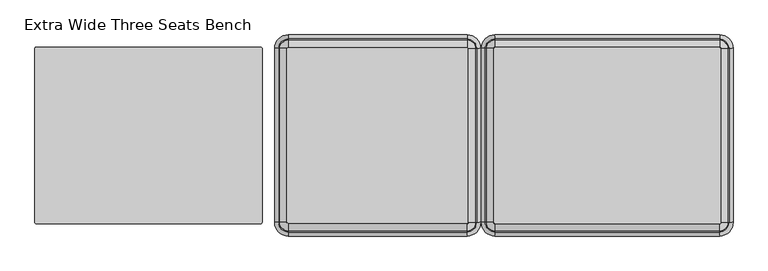
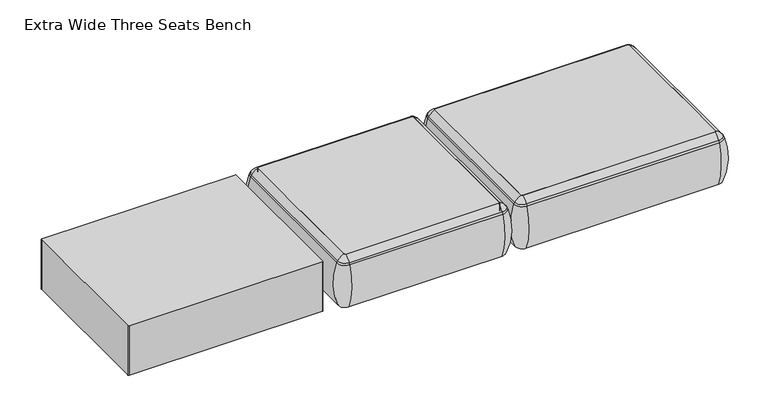
"""IFC4 building model written with IfcOpenShell, lengths in millimetres: furniture geometry, Extra Wide Three Seats Bench."""

from ifc_helpers import new_model, si_unit, point, frame, frame_2d, origin, place, context, project, spatial, polyline, circle_curve, ellipse_curve, trimmed, segment, composite_curve, outline, extrude, source, transform, mapped, element, save
from ifc_brep_helpers import plane_surface, cylinder_surface, revolved_surface, advanced_brep


def extra_wide_three_seats_bench_a4999bfd(model_context):
    return source(origin(), model_context, "Body", "SolidModel", [
        advanced_brep(
        [(-550.6150954, -668.4794123, 390.3914007), (-545.3352882, -673.7592195, 390.3914007), (-545.3352882, -673.7592195, 123.9999984), (-550.6150954, -668.4794123, 123.9999984), (-579.3031396, -668.4794123, 123.9999984), (-545.3352882, -702.4472637, 123.9999984), (-545.3352882, -710.1267287, 353.7769053), (-586.9826046, -668.4794123, 353.7769053), (-550.6150954, 89.8571486, 123.9999984), (-550.6150954, 89.8571486, 390.3914007), (-586.9826046, 89.8571486, 353.7769053), (-579.3031396, 89.8571486, 123.9999984), (-545.3352882, 95.1369558, 390.3914007), (-545.3352882, 95.1369558, 123.9999984), (-545.3352882, 123.825, 123.9999984), (-545.3352882, 131.504465, 353.7769053), (234.4447118, 95.1369558, 123.9999984), (234.4447118, 95.1369558, 390.3914007), (234.4447118, 131.504465, 353.7769053), (234.4447118, 123.825, 123.9999984), (239.7245191, 89.8571486, 390.3914007), (239.7245191, 89.8571486, 123.9999984), (268.4125633, 89.8571486, 123.9999984), (276.0920283, 89.8571486, 353.7769053), (239.7245191, -668.4794123, 123.9999984), (239.7245191, -668.4794123, 390.3914007), (276.0920283, -668.4794123, 353.7769053), (268.4125633, -668.4794123, 123.9999984), (234.4447118, -673.7592195, 390.3914007), (234.4447118, -673.7592195, 123.9999984), (234.4447118, -702.4472637, 123.9999984), (234.4447118, -710.1267287, 353.7769053), (-581.7641447, -668.4794123, 363.6402875), (-545.3352882, -704.9082688, 363.6402875), (-581.7641447, 89.8571486, 363.6402875), (-545.3352882, 126.2860051, 363.6402875), (234.4447118, 126.2860051, 363.6402875), (270.8735684, 89.8571486, 363.6402875), (270.8735684, -668.4794123, 363.6402875), (234.4447118, -704.9082688, 363.6402875)],
        [
            (0, 1, circle_curve(frame((-545.3352882, -668.4794123, 390.3914007), z_axis=(0.0, 0.0, 1.0), x_axis=(0.0, -1.0, 0.0)), 5.2798073)),
            (1, 2),
            (2, 3, circle_curve(frame((-545.3352882, -668.4794123, 123.9999984), z_axis=(0.0, 0.0, -1.0), x_axis=(0.0, -1.0, 0.0)), 5.2798073)),
            (3, 0),
            (4, 5, circle_curve(frame((-545.3352882, -668.4794123, 123.9999984), z_axis=(0.0, 0.0, 1.0), x_axis=(0.0, -1.0, 0.0)), 33.9678514)),
            (5, 6, circle_curve(frame((-545.3352882, -406.0729797, 248.9220234), z_axis=(-1.0, 0.0, 0.0), x_axis=(0.0, -1.0, 0.0)), 321.625914)),
            (6, 7, circle_curve(frame((-545.3352882, -668.4794123, 353.7769053), z_axis=(0.0, 0.0, -1.0), x_axis=(0.0, -1.0, 0.0)), 41.6473165)),
            (7, 4, circle_curve(frame((-282.9288556, -668.4794123, 248.9220234), z_axis=(0.0, -1.0, 0.0), x_axis=(-1.0, 0.0, 0.0)), 321.625914)),
            (3, 8),
            (8, 9),
            (9, 0),
            (7, 10),
            (10, 11, circle_curve(frame((-282.9288556, 89.8571486, 248.9220234), z_axis=(0.0, -1.0, 0.0), x_axis=(-1.0, 0.0, 0.0)), 321.625914)),
            (11, 4),
            (12, 9, circle_curve(frame((-545.3352882, 89.8571486, 390.3914007), z_axis=(0.0, 0.0, 1.0), x_axis=(-1.0, 0.0, 0.0)), 5.2798073)),
            (8, 13, circle_curve(frame((-545.3352882, 89.8571486, 123.9999984), z_axis=(0.0, 0.0, -1.0), x_axis=(-1.0, 0.0, 0.0)), 5.2798073)),
            (13, 12),
            (14, 11, circle_curve(frame((-545.3352882, 89.8571486, 123.9999984), z_axis=(0.0, 0.0, 1.0), x_axis=(-1.0, 0.0, 0.0)), 33.9678514)),
            (10, 15, circle_curve(frame((-545.3352882, 89.8571486, 353.7769053), z_axis=(0.0, 0.0, -1.0), x_axis=(-1.0, 0.0, 0.0)), 41.6473165)),
            (15, 14, circle_curve(frame((-545.3352882, -172.549284, 248.9220234), z_axis=(-1.0, 0.0, 0.0), x_axis=(0.0, 1.0, 0.0)), 321.625914)),
            (13, 16),
            (16, 17),
            (17, 12),
            (15, 18),
            (18, 19, circle_curve(frame((234.4447118, -172.549284, 248.9220234), z_axis=(-1.0, 0.0, 0.0), x_axis=(0.0, 1.0, 0.0)), 321.625914)),
            (19, 14),
            (20, 17, circle_curve(frame((234.4447118, 89.8571486, 390.3914007), z_axis=(0.0, 0.0, 1.0), x_axis=(0.0, 1.0, 0.0)), 5.2798073)),
            (16, 21, circle_curve(frame((234.4447118, 89.8571486, 123.9999984), z_axis=(0.0, 0.0, -1.0), x_axis=(0.0, 1.0, 0.0)), 5.2798073)),
            (21, 20),
            (22, 19, circle_curve(frame((234.4447118, 89.8571486, 123.9999984), z_axis=(0.0, 0.0, 1.0), x_axis=(0.0, 1.0, 0.0)), 33.9678514)),
            (18, 23, circle_curve(frame((234.4447118, 89.8571486, 353.7769053), z_axis=(0.0, 0.0, -1.0), x_axis=(0.0, 1.0, 0.0)), 41.6473165)),
            (23, 22, circle_curve(frame((-27.9617207, 89.8571486, 248.9220234), z_axis=(0.0, 1.0, 0.0), x_axis=(1.0, 0.0, 0.0)), 321.625914)),
            (21, 24),
            (24, 25),
            (25, 20),
            (23, 26),
            (26, 27, circle_curve(frame((-27.9617207, -668.4794123, 248.9220234), z_axis=(0.0, 1.0, 0.0), x_axis=(1.0, 0.0, 0.0)), 321.625914)),
            (27, 22),
            (28, 25, circle_curve(frame((234.4447118, -668.4794123, 390.3914007), z_axis=(0.0, 0.0, 1.0), x_axis=(1.0, 0.0, 0.0)), 5.2798073)),
            (24, 29, circle_curve(frame((234.4447118, -668.4794123, 123.9999984), z_axis=(0.0, 0.0, -1.0), x_axis=(1.0, 0.0, 0.0)), 5.2798073)),
            (29, 28),
            (30, 27, circle_curve(frame((234.4447118, -668.4794123, 123.9999984), z_axis=(0.0, 0.0, 1.0), x_axis=(1.0, 0.0, 0.0)), 33.9678514)),
            (26, 31, circle_curve(frame((234.4447118, -668.4794123, 353.7769053), z_axis=(0.0, 0.0, -1.0), x_axis=(1.0, 0.0, 0.0)), 41.6473165)),
            (31, 30, circle_curve(frame((234.4447118, -406.0729797, 248.9220234), z_axis=(1.0, 0.0, 0.0), x_axis=(0.0, -1.0, 0.0)), 321.625914)),
            (30, 5),
            (2, 29),
            (1, 28),
            (31, 6),
            (32, 33, circle_curve(frame((-545.3352882, -668.4794123, 363.6402875), z_axis=(0.0, 0.0, 1.0), x_axis=(0.0, -1.0, 0.0)), 36.4288566)),
            (33, 1, circle_curve(frame((-545.3352882, -629.5266, 307.3762868), z_axis=(-1.0, 0.0, 0.0), x_axis=(0.0, -1.0, 0.0)), 94.0639876)),
            (0, 32, circle_curve(frame((-506.3824759, -668.4794123, 307.3762868), z_axis=(0.0, -1.0, 0.0), x_axis=(-1.0, 0.0, 0.0)), 94.0639876)),
            (6, 33, circle_curve(frame((-545.3352882, -675.8620096, 341.9604975), z_axis=(-1.0, 0.0, 0.0), x_axis=(0.0, -1.0, 0.0)), 36.2449785)),
            (32, 7, circle_curve(frame((-552.7178855, -668.4794123, 341.9604975), z_axis=(0.0, -1.0, 0.0), x_axis=(-1.0, 0.0, 0.0)), 36.2449785)),
            (9, 34, circle_curve(frame((-506.3824759, 89.8571486, 307.3762868), z_axis=(0.0, -1.0, 0.0), x_axis=(-1.0, 0.0, 0.0)), 94.0639876)),
            (34, 32),
            (34, 10, circle_curve(frame((-552.7178855, 89.8571486, 341.9604975), z_axis=(0.0, -1.0, 0.0), x_axis=(-1.0, 0.0, 0.0)), 36.2449785)),
            (35, 34, circle_curve(frame((-545.3352882, 89.8571486, 363.6402875), z_axis=(0.0, 0.0, 1.0), x_axis=(-1.0, 0.0, 0.0)), 36.4288566)),
            (12, 35, circle_curve(frame((-545.3352882, 50.9043363, 307.3762868), z_axis=(-1.0, 0.0, 0.0), x_axis=(0.0, 1.0, 0.0)), 94.0639876)),
            (35, 15, circle_curve(frame((-545.3352882, 97.2397459, 341.9604975), z_axis=(-1.0, 0.0, 0.0), x_axis=(0.0, 1.0, 0.0)), 36.2449785)),
            (17, 36, circle_curve(frame((234.4447118, 50.9043363, 307.3762868), z_axis=(-1.0, 0.0, 0.0), x_axis=(0.0, 1.0, 0.0)), 94.0639876)),
            (36, 35),
            (36, 18, circle_curve(frame((234.4447118, 97.2397459, 341.9604975), z_axis=(-1.0, 0.0, 0.0), x_axis=(0.0, 1.0, 0.0)), 36.2449785)),
            (37, 36, circle_curve(frame((234.4447118, 89.8571486, 363.6402875), z_axis=(0.0, 0.0, 1.0), x_axis=(0.0, 1.0, 0.0)), 36.4288566)),
            (20, 37, circle_curve(frame((195.4918996, 89.8571486, 307.3762868), z_axis=(0.0, 1.0, 0.0), x_axis=(1.0, 0.0, 0.0)), 94.0639876)),
            (37, 23, circle_curve(frame((241.8273092, 89.8571486, 341.9604975), z_axis=(0.0, 1.0, 0.0), x_axis=(1.0, 0.0, 0.0)), 36.2449785)),
            (25, 38, circle_curve(frame((195.4918996, -668.4794123, 307.3762868), z_axis=(0.0, 1.0, 0.0), x_axis=(1.0, 0.0, 0.0)), 94.0639876)),
            (38, 37),
            (38, 26, circle_curve(frame((241.8273092, -668.4794123, 341.9604975), z_axis=(0.0, 1.0, 0.0), x_axis=(1.0, 0.0, 0.0)), 36.2449785)),
            (39, 38, circle_curve(frame((234.4447118, -668.4794123, 363.6402875), z_axis=(0.0, 0.0, 1.0), x_axis=(1.0, 0.0, 0.0)), 36.4288566)),
            (28, 39, circle_curve(frame((234.4447118, -629.5266, 307.3762868), z_axis=(1.0, 0.0, 0.0), x_axis=(0.0, -1.0, 0.0)), 94.0639876)),
            (39, 31, circle_curve(frame((234.4447118, -675.8620096, 341.9604975), z_axis=(1.0, 0.0, 0.0), x_axis=(0.0, -1.0, 0.0)), 36.2449785)),
            (33, 39),
        ],
        [
            revolved_surface(polyline([(-545.3352882, -673.7592196, 123.9999984), (-545.3352882, -673.7592196, 390.3914007)]), (-545.3352882, -668.4794123, 0.0), (0.0, 0.0, -1.0)),
            revolved_surface(trimmed(ellipse_curve(frame((-545.3352882, -406.0729797, 248.9220234), z_axis=(1.0, 0.0, 0.0), x_axis=(0.0, -1.0, 0.0)), 321.625914, 321.625914), [point((-545.3352882, -710.1267287, 353.7769053))], [point((-545.3352882, -702.4472637, 123.9999984))], True, "CARTESIAN"), (-545.3352882, -668.4794123, 0.0), (0.0, 0.0, -1.0)),
            plane_surface(frame((-550.6150954, -668.4794123, 123.9999984), z_axis=(1.0, 0.0, 0.0), x_axis=(0.0, 1.0, 0.0))),
            cylinder_surface(frame((-282.9288556, -668.4794123, 248.9220234), z_axis=(0.0, -1.0, 0.0), x_axis=(-1.0, 0.0, 0.0)), 321.625914),
            revolved_surface(polyline([(-550.6150955, 89.8571486, 123.9999984), (-550.6150955, 89.8571486, 390.3914007)]), (-545.3352882, 89.8571486, 0.0), (0.0, 0.0, -1.0)),
            revolved_surface(trimmed(ellipse_curve(frame((-282.9288556, 89.8571486, 248.9220234), z_axis=(0.0, -1.0, 0.0), x_axis=(-1.0, 0.0, 0.0)), 321.625914, 321.625914), [point((-586.9826046, 89.8571486, 353.7769053))], [point((-579.3031396, 89.8571486, 123.9999984))], True, "CARTESIAN"), (-545.3352882, 89.8571486, 0.0), (0.0, 0.0, -1.0)),
            plane_surface(frame((-545.3352882, 95.1369558, 123.9999984), z_axis=(0.0, -1.0, 0.0), x_axis=(1.0, 0.0, 0.0))),
            cylinder_surface(frame((-545.3352882, -172.549284, 248.9220234), z_axis=(-1.0, 0.0, 0.0), x_axis=(0.0, 1.0, 0.0)), 321.625914),
            revolved_surface(polyline([(234.4447118, 95.1369559, 123.9999984), (234.4447118, 95.1369559, 390.3914007)]), (234.4447118, 89.8571486, 0.0), (0.0, 0.0, -1.0)),
            revolved_surface(trimmed(ellipse_curve(frame((234.4447118, -172.549284, 248.9220234), z_axis=(-1.0, 0.0, 0.0), x_axis=(0.0, 1.0, 0.0)), 321.625914, 321.625914), [point((234.4447118, 131.504465, 353.7769053))], [point((234.4447118, 123.825, 123.9999984))], True, "CARTESIAN"), (234.4447118, 89.8571486, 0.0), (0.0, 0.0, -1.0)),
            plane_surface(frame((239.7245191, 89.8571486, 123.9999984), z_axis=(-1.0, 0.0, 0.0), x_axis=(0.0, -1.0, 0.0))),
            cylinder_surface(frame((-27.9617207, 89.8571486, 248.9220234), z_axis=(0.0, 1.0, 0.0), x_axis=(1.0, 0.0, 0.0)), 321.625914),
            revolved_surface(polyline([(239.72451909999998, -668.4794123, 123.9999984), (239.72451909999998, -668.4794123, 390.3914007)]), (234.4447118, -668.4794123, 0.0), (0.0, 0.0, -1.0)),
            revolved_surface(trimmed(ellipse_curve(frame((-27.9617207, -668.4794123, 248.9220234), z_axis=(0.0, 1.0, 0.0), x_axis=(1.0, 0.0, 0.0)), 321.625914, 321.625914), [point((276.0920283, -668.4794123, 353.7769053))], [point((268.4125633, -668.4794123, 123.9999984))], True, "CARTESIAN"), (234.4447118, -668.4794123, 0.0), (0.0, 0.0, -1.0)),
            plane_surface(frame((234.4447118, -702.4472637, 123.9999984), z_axis=(0.0, 0.0, -1.0), x_axis=(-1.0, 0.0, 0.0))),
            plane_surface(frame((234.4447118, -673.7592195, 123.9999984), z_axis=(0.0, 1.0, 0.0), x_axis=(-1.0, 0.0, 0.0))),
            cylinder_surface(frame((234.4447118, -406.0729797, 248.9220234), z_axis=(1.0, 0.0, 0.0), x_axis=(0.0, -1.0, 0.0)), 321.625914),
            revolved_surface(trimmed(ellipse_curve(frame((-545.3352882, -629.5266, 307.3762868), z_axis=(1.0, 0.0, 0.0), x_axis=(0.0, -1.0, 0.0)), 94.0639876, 94.0639876), [point((-545.3352882, -673.7592195, 390.3914007))], [point((-545.3352882, -704.9082688, 363.6402875))], True, "CARTESIAN"), (-545.3352882, -668.4794123, 0.0), (0.0, 0.0, -1.0)),
            revolved_surface(trimmed(ellipse_curve(frame((-545.3352882, -675.8620096, 341.9604975), z_axis=(1.0, 0.0, 0.0), x_axis=(0.0, -1.0, 0.0)), 36.2449785, 36.2449785), [point((-545.3352882, -704.9082688, 363.6402875))], [point((-545.3352882, -710.1267287, 353.7769053))], True, "CARTESIAN"), (-545.3352882, -668.4794123, 0.0), (0.0, 0.0, -1.0)),
            cylinder_surface(frame((-506.3824759, -668.4794123, 307.3762868), z_axis=(0.0, -1.0, 0.0), x_axis=(-1.0, 0.0, 0.0)), 94.0639876),
            cylinder_surface(frame((-552.7178855, -668.4794123, 341.9604975), z_axis=(0.0, -1.0, 0.0), x_axis=(-1.0, 0.0, 0.0)), 36.2449785),
            revolved_surface(trimmed(ellipse_curve(frame((-506.3824759, 89.8571486, 307.3762868), z_axis=(0.0, -1.0, 0.0), x_axis=(-1.0, 0.0, 0.0)), 94.0639876, 94.0639876), [point((-550.6150954, 89.8571486, 390.3914007))], [point((-581.7641447, 89.8571486, 363.6402875))], True, "CARTESIAN"), (-545.3352882, 89.8571486, 0.0), (0.0, 0.0, -1.0)),
            revolved_surface(trimmed(ellipse_curve(frame((-552.7178855, 89.8571486, 341.9604975), z_axis=(0.0, -1.0, 0.0), x_axis=(-1.0, 0.0, 0.0)), 36.2449785, 36.2449785), [point((-581.7641447, 89.8571486, 363.6402875))], [point((-586.9826046, 89.8571486, 353.7769053))], True, "CARTESIAN"), (-545.3352882, 89.8571486, 0.0), (0.0, 0.0, -1.0)),
            cylinder_surface(frame((-545.3352882, 50.9043363, 307.3762868), z_axis=(-1.0, 0.0, 0.0), x_axis=(0.0, 1.0, 0.0)), 94.0639876),
            cylinder_surface(frame((-545.3352882, 97.2397459, 341.9604975), z_axis=(-1.0, 0.0, 0.0), x_axis=(0.0, 1.0, 0.0)), 36.2449785),
            revolved_surface(trimmed(ellipse_curve(frame((234.4447118, 50.9043363, 307.3762868), z_axis=(-1.0, 0.0, 0.0), x_axis=(0.0, 1.0, 0.0)), 94.0639876, 94.0639876), [point((234.4447118, 95.1369558, 390.3914007))], [point((234.4447118, 126.2860051, 363.6402875))], True, "CARTESIAN"), (234.4447118, 89.8571486, 0.0), (0.0, 0.0, -1.0)),
            revolved_surface(trimmed(ellipse_curve(frame((234.4447118, 97.2397459, 341.9604975), z_axis=(-1.0, 0.0, 0.0), x_axis=(0.0, 1.0, 0.0)), 36.2449785, 36.2449785), [point((234.4447118, 126.2860051, 363.6402875))], [point((234.4447118, 131.504465, 353.7769053))], True, "CARTESIAN"), (234.4447118, 89.8571486, 0.0), (0.0, 0.0, -1.0)),
            cylinder_surface(frame((195.4918996, 89.8571486, 307.3762868), z_axis=(0.0, 1.0, 0.0), x_axis=(1.0, 0.0, 0.0)), 94.0639876),
            cylinder_surface(frame((241.8273092, 89.8571486, 341.9604975), z_axis=(0.0, 1.0, 0.0), x_axis=(1.0, 0.0, 0.0)), 36.2449785),
            revolved_surface(trimmed(ellipse_curve(frame((195.4918996, -668.4794123, 307.3762868), z_axis=(0.0, 1.0, 0.0), x_axis=(1.0, 0.0, 0.0)), 94.0639876, 94.0639876), [point((239.7245191, -668.4794123, 390.3914007))], [point((270.8735684, -668.4794123, 363.6402875))], True, "CARTESIAN"), (234.4447118, -668.4794123, 0.0), (0.0, 0.0, -1.0)),
            revolved_surface(trimmed(ellipse_curve(frame((241.8273092, -668.4794123, 341.9604975), z_axis=(0.0, 1.0, 0.0), x_axis=(1.0, 0.0, 0.0)), 36.2449785, 36.2449785), [point((270.8735684, -668.4794123, 363.6402875))], [point((276.0920283, -668.4794123, 353.7769053))], True, "CARTESIAN"), (234.4447118, -668.4794123, 0.0), (0.0, 0.0, -1.0)),
            cylinder_surface(frame((234.4447118, -629.5266, 307.3762868), z_axis=(1.0, 0.0, 0.0), x_axis=(0.0, -1.0, 0.0)), 94.0639876),
            cylinder_surface(frame((234.4447118, -675.8620096, 341.9604975), z_axis=(1.0, 0.0, 0.0), x_axis=(0.0, -1.0, 0.0)), 36.2449785),
        ],
        [
            (0, [[1, 2, 3, 4]]),
            (1, [[5, 6, 7, 8]]),
            (2, [[-4, 9, 10, 11]]),
            (3, [[-8, 12, 13, 14]]),
            (4, [[15, -10, 16, 17]]),
            (5, [[18, -13, 19, 20]]),
            (6, [[-17, 21, 22, 23]]),
            (7, [[-20, 24, 25, 26]]),
            (8, [[27, -22, 28, 29]]),
            (9, [[30, -25, 31, 32]]),
            (10, [[-29, 33, 34, 35]]),
            (11, [[-32, 36, 37, 38]]),
            (12, [[39, -34, 40, 41]]),
            (13, [[42, -37, 43, 44]]),
            (14, [[-38, -42, 45, -5, -14, -18, -26, -30], [46, -40, -33, -28, -21, -16, -9, -3]]),
            (15, [[-41, -46, -2, 47]]),
            (16, [[-44, 48, -6, -45]]),
            (17, [[49, 50, -1, 51]]),
            (18, [[-7, 52, -49, 53]]),
            (19, [[-51, -11, 54, 55]]),
            (20, [[-53, -55, 56, -12]]),
            (21, [[57, -54, -15, 58]]),
            (22, [[-19, -56, -57, 59]]),
            (23, [[-58, -23, 60, 61]]),
            (24, [[-59, -61, 62, -24]]),
            (25, [[63, -60, -27, 64]]),
            (26, [[-31, -62, -63, 65]]),
            (27, [[-64, -35, 66, 67]]),
            (28, [[-65, -67, 68, -36]]),
            (29, [[69, -66, -39, 70]]),
            (30, [[-43, -68, -69, 71]]),
            (31, [[-70, -47, -50, 72]]),
            (32, [[-71, -72, -52, -48]]),
        ],
    ),
        extrude(outline(composite_curve([segment(trimmed(circle_curve(frame_2d((234.4447118, -668.4794123)), 5.2798073), [point((239.7245191, -668.4794123))], [point((234.4447118, -673.7592195))], False, "CARTESIAN"), True, "CONTINUOUS"), segment(polyline([(234.4447118, -673.7592195), (-545.3352882, -673.7592195)]), True, "CONTINUOUS"), segment(trimmed(circle_curve(frame_2d((-545.3352882, -668.4794123)), 5.2798073), [point((-545.3352882, -673.7592195))], [point((-550.6150954, -668.4794123))], False, "CARTESIAN"), True, "CONTINUOUS"), segment(polyline([(-550.6150954, -668.4794123), (-550.6150954, 89.8571486)]), True, "CONTINUOUS"), segment(trimmed(circle_curve(frame_2d((-545.3352882, 89.8571486)), 5.2798073), [point((-550.6150954, 89.8571486))], [point((-545.3352882, 95.1369558))], False, "CARTESIAN"), True, "CONTINUOUS"), segment(polyline([(-545.3352882, 95.1369558), (234.4447118, 95.1369558)]), True, "CONTINUOUS"), segment(trimmed(circle_curve(frame_2d((234.4447118, 89.8571486)), 5.2798073), [point((234.4447118, 95.1369558))], [point((239.7245191, 89.8571486))], False, "CARTESIAN"), True, "CONTINUOUS"), segment(polyline([(239.7245191, 89.8571486), (239.7245191, -668.4794123)]), True, "CONTINUOUS")], self_intersect=False)), frame((0.0, 0.0, 123.9999984), z_axis=(0.0, 0.0, 1.0), x_axis=(1.0, 0.0, 0.0)), (0.0, 0.0, 1.0), 266.3914023),
        extrude(outline(composite_curve([segment(trimmed(circle_curve(frame_2d((1334.6615868, -668.4794123)), 5.2798073), [point((1339.9413941, -668.4794123))], [point((1334.6615868, -673.7592195))], False, "CARTESIAN"), True, "CONTINUOUS"), segment(polyline([(1334.6615868, -673.7592195), (355.4915868, -673.7592195)]), True, "CONTINUOUS"), segment(trimmed(circle_curve(frame_2d((355.4915868, -668.4794123)), 5.2798073), [point((355.4915868, -673.7592195))], [point((350.2117796, -668.4794123))], False, "CARTESIAN"), True, "CONTINUOUS"), segment(polyline([(350.2117796, -668.4794123), (350.2117796, 89.8571486)]), True, "CONTINUOUS"), segment(trimmed(circle_curve(frame_2d((355.4915868, 89.8571486)), 5.2798073), [point((350.2117796, 89.8571486))], [point((355.4915868, 95.1369558))], False, "CARTESIAN"), True, "CONTINUOUS"), segment(polyline([(355.4915868, 95.1369558), (1334.6615868, 95.1369558)]), True, "CONTINUOUS"), segment(trimmed(circle_curve(frame_2d((1334.6615868, 89.8571486)), 5.2798073), [point((1334.6615868, 95.1369558))], [point((1339.9413941, 89.8571486))], False, "CARTESIAN"), True, "CONTINUOUS"), segment(polyline([(1339.9413941, 89.8571486), (1339.9413941, -668.4794123)]), True, "CONTINUOUS")], self_intersect=False)), frame((0.0, 0.0, 123.9999984), z_axis=(0.0, 0.0, 1.0), x_axis=(1.0, 0.0, 0.0)), (0.0, 0.0, 1.0), 266.3914023),
        advanced_brep(
        [(350.2117796, -668.4794123, 390.3914007), (355.4915868, -673.7592195, 390.3914007), (355.4915868, -673.7592195, 123.9999984), (350.2117796, -668.4794123, 123.9999984), (321.5237354, -668.4794123, 123.9999984), (355.4915868, -702.4472637, 123.9999984), (355.4915868, -710.1267287, 353.7769053), (313.8442704, -668.4794123, 353.7769053), (350.2117796, 89.8571486, 123.9999984), (350.2117796, 89.8571486, 390.3914007), (313.8442704, 89.8571486, 353.7769053), (321.5237354, 89.8571486, 123.9999984), (355.4915868, 95.1369558, 390.3914007), (355.4915868, 95.1369558, 123.9999984), (355.4915868, 123.825, 123.9999984), (355.4915868, 131.504465, 353.7769053), (1334.6615868, 95.1369558, 123.9999984), (1334.6615868, 95.1369558, 390.3914007), (1334.6615868, 131.504465, 353.7769053), (1334.6615868, 123.825, 123.9999984), (1339.9413941, 89.8571486, 390.3914007), (1339.9413941, 89.8571486, 123.9999984), (1368.6294383, 89.8571486, 123.9999984), (1376.3089033, 89.8571486, 353.7769053), (1339.9413941, -668.4794123, 123.9999984), (1339.9413941, -668.4794123, 390.3914007), (1376.3089033, -668.4794123, 353.7769053), (1368.6294383, -668.4794123, 123.9999984), (1334.6615868, -673.7592195, 390.3914007), (1334.6615868, -673.7592195, 123.9999984), (1334.6615868, -702.4472637, 123.9999984), (1334.6615868, -710.1267287, 353.7769053), (319.0627303, -668.4794123, 363.6402875), (355.4915868, -704.9082688, 363.6402875), (319.0627303, 89.8571486, 363.6402875), (355.4915868, 126.2860051, 363.6402875), (1334.6615868, 126.2860051, 363.6402875), (1371.0904434, 89.8571486, 363.6402875), (1371.0904434, -668.4794123, 363.6402875), (1334.6615868, -704.9082688, 363.6402875)],
        [
            (0, 1, circle_curve(frame((355.4915868, -668.4794123, 390.3914007), z_axis=(0.0, 0.0, 1.0), x_axis=(0.0, -1.0, 0.0)), 5.2798073)),
            (1, 2),
            (2, 3, circle_curve(frame((355.4915868, -668.4794123, 123.9999984), z_axis=(0.0, 0.0, -1.0), x_axis=(0.0, -1.0, 0.0)), 5.2798073)),
            (3, 0),
            (4, 5, circle_curve(frame((355.4915868, -668.4794123, 123.9999984), z_axis=(0.0, 0.0, 1.0), x_axis=(0.0, -1.0, 0.0)), 33.9678514)),
            (5, 6, circle_curve(frame((355.4915868, -406.0729797, 248.9220234), z_axis=(-1.0, 0.0, 0.0), x_axis=(0.0, -1.0, 0.0)), 321.625914)),
            (6, 7, circle_curve(frame((355.4915868, -668.4794123, 353.7769053), z_axis=(0.0, 0.0, -1.0), x_axis=(0.0, -1.0, 0.0)), 41.6473165)),
            (7, 4, circle_curve(frame((617.8980194, -668.4794123, 248.9220234), z_axis=(0.0, -1.0, 0.0), x_axis=(-1.0, 0.0, 0.0)), 321.625914)),
            (3, 8),
            (8, 9),
            (9, 0),
            (7, 10),
            (10, 11, circle_curve(frame((617.8980194, 89.8571486, 248.9220234), z_axis=(0.0, -1.0, 0.0), x_axis=(-1.0, 0.0, 0.0)), 321.625914)),
            (11, 4),
            (12, 9, circle_curve(frame((355.4915868, 89.8571486, 390.3914007), z_axis=(0.0, 0.0, 1.0), x_axis=(-1.0, 0.0, 0.0)), 5.2798073)),
            (8, 13, circle_curve(frame((355.4915868, 89.8571486, 123.9999984), z_axis=(0.0, 0.0, -1.0), x_axis=(-1.0, 0.0, 0.0)), 5.2798073)),
            (13, 12),
            (14, 11, circle_curve(frame((355.4915868, 89.8571486, 123.9999984), z_axis=(0.0, 0.0, 1.0), x_axis=(-1.0, 0.0, 0.0)), 33.9678514)),
            (10, 15, circle_curve(frame((355.4915868, 89.8571486, 353.7769053), z_axis=(0.0, 0.0, -1.0), x_axis=(-1.0, 0.0, 0.0)), 41.6473165)),
            (15, 14, circle_curve(frame((355.4915868, -172.549284, 248.9220234), z_axis=(-1.0, 0.0, 0.0), x_axis=(0.0, 1.0, 0.0)), 321.625914)),
            (13, 16),
            (16, 17),
            (17, 12),
            (15, 18),
            (18, 19, circle_curve(frame((1334.6615868, -172.549284, 248.9220234), z_axis=(-1.0, 0.0, 0.0), x_axis=(0.0, 1.0, 0.0)), 321.625914)),
            (19, 14),
            (20, 17, circle_curve(frame((1334.6615868, 89.8571486, 390.3914007), z_axis=(0.0, 0.0, 1.0), x_axis=(0.0, 1.0, 0.0)), 5.2798073)),
            (16, 21, circle_curve(frame((1334.6615868, 89.8571486, 123.9999984), z_axis=(0.0, 0.0, -1.0), x_axis=(0.0, 1.0, 0.0)), 5.2798073)),
            (21, 20),
            (22, 19, circle_curve(frame((1334.6615868, 89.8571486, 123.9999984), z_axis=(0.0, 0.0, 1.0), x_axis=(0.0, 1.0, 0.0)), 33.9678514)),
            (18, 23, circle_curve(frame((1334.6615868, 89.8571486, 353.7769053), z_axis=(0.0, 0.0, -1.0), x_axis=(0.0, 1.0, 0.0)), 41.6473165)),
            (23, 22, circle_curve(frame((1072.2551543, 89.8571486, 248.9220234), z_axis=(0.0, 1.0, 0.0), x_axis=(1.0, 0.0, 0.0)), 321.625914)),
            (21, 24),
            (24, 25),
            (25, 20),
            (23, 26),
            (26, 27, circle_curve(frame((1072.2551543, -668.4794123, 248.9220234), z_axis=(0.0, 1.0, 0.0), x_axis=(1.0, 0.0, 0.0)), 321.625914)),
            (27, 22),
            (28, 25, circle_curve(frame((1334.6615868, -668.4794123, 390.3914007), z_axis=(0.0, 0.0, 1.0), x_axis=(1.0, 0.0, 0.0)), 5.2798073)),
            (24, 29, circle_curve(frame((1334.6615868, -668.4794123, 123.9999984), z_axis=(0.0, 0.0, -1.0), x_axis=(1.0, 0.0, 0.0)), 5.2798073)),
            (29, 28),
            (30, 27, circle_curve(frame((1334.6615868, -668.4794123, 123.9999984), z_axis=(0.0, 0.0, 1.0), x_axis=(1.0, 0.0, 0.0)), 33.9678514)),
            (26, 31, circle_curve(frame((1334.6615868, -668.4794123, 353.7769053), z_axis=(0.0, 0.0, -1.0), x_axis=(1.0, 0.0, 0.0)), 41.6473165)),
            (31, 30, circle_curve(frame((1334.6615868, -406.0729797, 248.9220234), z_axis=(1.0, 0.0, 0.0), x_axis=(0.0, -1.0, 0.0)), 321.625914)),
            (30, 5),
            (2, 29),
            (1, 28),
            (31, 6),
            (32, 33, circle_curve(frame((355.4915868, -668.4794123, 363.6402875), z_axis=(0.0, 0.0, 1.0), x_axis=(0.0, -1.0, 0.0)), 36.4288566)),
            (33, 1, circle_curve(frame((355.4915868, -629.5266, 307.3762868), z_axis=(-1.0, 0.0, 0.0), x_axis=(0.0, -1.0, 0.0)), 94.0639876)),
            (0, 32, circle_curve(frame((394.4443991, -668.4794123, 307.3762868), z_axis=(0.0, -1.0, 0.0), x_axis=(-1.0, 0.0, 0.0)), 94.0639876)),
            (6, 33, circle_curve(frame((355.4915868, -675.8620096, 341.9604975), z_axis=(-1.0, 0.0, 0.0), x_axis=(0.0, -1.0, 0.0)), 36.2449785)),
            (32, 7, circle_curve(frame((348.1089895, -668.4794123, 341.9604975), z_axis=(0.0, -1.0, 0.0), x_axis=(-1.0, 0.0, 0.0)), 36.2449785)),
            (9, 34, circle_curve(frame((394.4443991, 89.8571486, 307.3762868), z_axis=(0.0, -1.0, 0.0), x_axis=(-1.0, 0.0, 0.0)), 94.0639876)),
            (34, 32),
            (34, 10, circle_curve(frame((348.1089895, 89.8571486, 341.9604975), z_axis=(0.0, -1.0, 0.0), x_axis=(-1.0, 0.0, 0.0)), 36.2449785)),
            (35, 34, circle_curve(frame((355.4915868, 89.8571486, 363.6402875), z_axis=(0.0, 0.0, 1.0), x_axis=(-1.0, 0.0, 0.0)), 36.4288566)),
            (12, 35, circle_curve(frame((355.4915868, 50.9043363, 307.3762868), z_axis=(-1.0, 0.0, 0.0), x_axis=(0.0, 1.0, 0.0)), 94.0639876)),
            (35, 15, circle_curve(frame((355.4915868, 97.2397459, 341.9604975), z_axis=(-1.0, 0.0, 0.0), x_axis=(0.0, 1.0, 0.0)), 36.2449785)),
            (17, 36, circle_curve(frame((1334.6615868, 50.9043363, 307.3762868), z_axis=(-1.0, 0.0, 0.0), x_axis=(0.0, 1.0, 0.0)), 94.0639876)),
            (36, 35),
            (36, 18, circle_curve(frame((1334.6615868, 97.2397459, 341.9604975), z_axis=(-1.0, 0.0, 0.0), x_axis=(0.0, 1.0, 0.0)), 36.2449785)),
            (37, 36, circle_curve(frame((1334.6615868, 89.8571486, 363.6402875), z_axis=(0.0, 0.0, 1.0), x_axis=(0.0, 1.0, 0.0)), 36.4288566)),
            (20, 37, circle_curve(frame((1295.7087746, 89.8571486, 307.3762868), z_axis=(0.0, 1.0, 0.0), x_axis=(1.0, 0.0, 0.0)), 94.0639876)),
            (37, 23, circle_curve(frame((1342.0441842, 89.8571486, 341.9604975), z_axis=(0.0, 1.0, 0.0), x_axis=(1.0, 0.0, 0.0)), 36.2449785)),
            (25, 38, circle_curve(frame((1295.7087746, -668.4794123, 307.3762868), z_axis=(0.0, 1.0, 0.0), x_axis=(1.0, 0.0, 0.0)), 94.0639876)),
            (38, 37),
            (38, 26, circle_curve(frame((1342.0441842, -668.4794123, 341.9604975), z_axis=(0.0, 1.0, 0.0), x_axis=(1.0, 0.0, 0.0)), 36.2449785)),
            (39, 38, circle_curve(frame((1334.6615868, -668.4794123, 363.6402875), z_axis=(0.0, 0.0, 1.0), x_axis=(1.0, 0.0, 0.0)), 36.4288566)),
            (28, 39, circle_curve(frame((1334.6615868, -629.5266, 307.3762868), z_axis=(1.0, 0.0, 0.0), x_axis=(0.0, -1.0, 0.0)), 94.0639876)),
            (39, 31, circle_curve(frame((1334.6615868, -675.8620096, 341.9604975), z_axis=(1.0, 0.0, 0.0), x_axis=(0.0, -1.0, 0.0)), 36.2449785)),
            (33, 39),
        ],
        [
            revolved_surface(polyline([(355.4915868, -673.7592196, 123.9999984), (355.4915868, -673.7592196, 390.3914007)]), (355.4915868, -668.4794123, 0.0), (0.0, 0.0, -1.0)),
            revolved_surface(trimmed(ellipse_curve(frame((355.4915868, -406.0729797, 248.9220234), z_axis=(1.0, 0.0, 0.0), x_axis=(0.0, -1.0, 0.0)), 321.625914, 321.625914), [point((355.4915868, -710.1267287, 353.7769053))], [point((355.4915868, -702.4472637, 123.9999984))], True, "CARTESIAN"), (355.4915868, -668.4794123, 0.0), (0.0, 0.0, -1.0)),
            plane_surface(frame((350.2117796, -668.4794123, 123.9999984), z_axis=(1.0, 0.0, 0.0), x_axis=(0.0, 1.0, 0.0))),
            cylinder_surface(frame((617.8980194, -668.4794123, 248.9220234), z_axis=(0.0, -1.0, 0.0), x_axis=(-1.0, 0.0, 0.0)), 321.625914),
            revolved_surface(polyline([(350.2117795, 89.8571486, 123.9999984), (350.2117795, 89.8571486, 390.3914007)]), (355.4915868, 89.8571486, 0.0), (0.0, 0.0, -1.0)),
            revolved_surface(trimmed(ellipse_curve(frame((617.8980194, 89.8571486, 248.9220234), z_axis=(0.0, -1.0, 0.0), x_axis=(-1.0, 0.0, 0.0)), 321.625914, 321.625914), [point((313.8442704, 89.8571486, 353.7769053))], [point((321.5237354, 89.8571486, 123.9999984))], True, "CARTESIAN"), (355.4915868, 89.8571486, 0.0), (0.0, 0.0, -1.0)),
            plane_surface(frame((355.4915868, 95.1369558, 123.9999984), z_axis=(0.0, -1.0, 0.0), x_axis=(1.0, 0.0, 0.0))),
            cylinder_surface(frame((355.4915868, -172.549284, 248.9220234), z_axis=(-1.0, 0.0, 0.0), x_axis=(0.0, 1.0, 0.0)), 321.625914),
            revolved_surface(polyline([(1334.6615868, 95.1369559, 123.9999984), (1334.6615868, 95.1369559, 390.3914007)]), (1334.6615868, 89.8571486, 0.0), (0.0, 0.0, -1.0)),
            revolved_surface(trimmed(ellipse_curve(frame((1334.6615868, -172.549284, 248.9220234), z_axis=(-1.0, 0.0, 0.0), x_axis=(0.0, 1.0, 0.0)), 321.625914, 321.625914), [point((1334.6615868, 131.504465, 353.7769053))], [point((1334.6615868, 123.825, 123.9999984))], True, "CARTESIAN"), (1334.6615868, 89.8571486, 0.0), (0.0, 0.0, -1.0)),
            plane_surface(frame((1339.9413941, 89.8571486, 123.9999984), z_axis=(-1.0, 0.0, 0.0), x_axis=(0.0, -1.0, 0.0))),
            cylinder_surface(frame((1072.2551543, 89.8571486, 248.9220234), z_axis=(0.0, 1.0, 0.0), x_axis=(1.0, 0.0, 0.0)), 321.625914),
            revolved_surface(polyline([(1339.9413940999998, -668.4794123, 123.9999984), (1339.9413940999998, -668.4794123, 390.3914007)]), (1334.6615868, -668.4794123, 0.0), (0.0, 0.0, -1.0)),
            revolved_surface(trimmed(ellipse_curve(frame((1072.2551543, -668.4794123, 248.9220234), z_axis=(0.0, 1.0, 0.0), x_axis=(1.0, 0.0, 0.0)), 321.625914, 321.625914), [point((1376.3089033, -668.4794123, 353.7769053))], [point((1368.6294383, -668.4794123, 123.9999984))], True, "CARTESIAN"), (1334.6615868, -668.4794123, 0.0), (0.0, 0.0, -1.0)),
            plane_surface(frame((1334.6615868, -702.4472637, 123.9999984), z_axis=(0.0, 0.0, -1.0), x_axis=(-1.0, 0.0, 0.0))),
            plane_surface(frame((1334.6615868, -673.7592195, 123.9999984), z_axis=(0.0, 1.0, 0.0), x_axis=(-1.0, 0.0, 0.0))),
            cylinder_surface(frame((1334.6615868, -406.0729797, 248.9220234), z_axis=(1.0, 0.0, 0.0), x_axis=(0.0, -1.0, 0.0)), 321.625914),
            revolved_surface(trimmed(ellipse_curve(frame((355.4915868, -629.5266, 307.3762868), z_axis=(1.0, 0.0, 0.0), x_axis=(0.0, -1.0, 0.0)), 94.0639876, 94.0639876), [point((355.4915868, -673.7592195, 390.3914007))], [point((355.4915868, -704.9082688, 363.6402875))], True, "CARTESIAN"), (355.4915868, -668.4794123, 0.0), (0.0, 0.0, -1.0)),
            revolved_surface(trimmed(ellipse_curve(frame((355.4915868, -675.8620096, 341.9604975), z_axis=(1.0, 0.0, 0.0), x_axis=(0.0, -1.0, 0.0)), 36.2449785, 36.2449785), [point((355.4915868, -704.9082688, 363.6402875))], [point((355.4915868, -710.1267287, 353.7769053))], True, "CARTESIAN"), (355.4915868, -668.4794123, 0.0), (0.0, 0.0, -1.0)),
            cylinder_surface(frame((394.4443991, -668.4794123, 307.3762868), z_axis=(0.0, -1.0, 0.0), x_axis=(-1.0, 0.0, 0.0)), 94.0639876),
            cylinder_surface(frame((348.1089895, -668.4794123, 341.9604975), z_axis=(0.0, -1.0, 0.0), x_axis=(-1.0, 0.0, 0.0)), 36.2449785),
            revolved_surface(trimmed(ellipse_curve(frame((394.4443991, 89.8571486, 307.3762868), z_axis=(0.0, -1.0, 0.0), x_axis=(-1.0, 0.0, 0.0)), 94.0639876, 94.0639876), [point((350.2117796, 89.8571486, 390.3914007))], [point((319.0627303, 89.8571486, 363.6402875))], True, "CARTESIAN"), (355.4915868, 89.8571486, 0.0), (0.0, 0.0, -1.0)),
            revolved_surface(trimmed(ellipse_curve(frame((348.1089895, 89.8571486, 341.9604975), z_axis=(0.0, -1.0, 0.0), x_axis=(-1.0, 0.0, 0.0)), 36.2449785, 36.2449785), [point((319.0627303, 89.8571486, 363.6402875))], [point((313.8442704, 89.8571486, 353.7769053))], True, "CARTESIAN"), (355.4915868, 89.8571486, 0.0), (0.0, 0.0, -1.0)),
            cylinder_surface(frame((355.4915868, 50.9043363, 307.3762868), z_axis=(-1.0, 0.0, 0.0), x_axis=(0.0, 1.0, 0.0)), 94.0639876),
            cylinder_surface(frame((355.4915868, 97.2397459, 341.9604975), z_axis=(-1.0, 0.0, 0.0), x_axis=(0.0, 1.0, 0.0)), 36.2449785),
            revolved_surface(trimmed(ellipse_curve(frame((1334.6615868, 50.9043363, 307.3762868), z_axis=(-1.0, 0.0, 0.0), x_axis=(0.0, 1.0, 0.0)), 94.0639876, 94.0639876), [point((1334.6615868, 95.1369558, 390.3914007))], [point((1334.6615868, 126.2860051, 363.6402875))], True, "CARTESIAN"), (1334.6615868, 89.8571486, 0.0), (0.0, 0.0, -1.0)),
            revolved_surface(trimmed(ellipse_curve(frame((1334.6615868, 97.2397459, 341.9604975), z_axis=(-1.0, 0.0, 0.0), x_axis=(0.0, 1.0, 0.0)), 36.2449785, 36.2449785), [point((1334.6615868, 126.2860051, 363.6402875))], [point((1334.6615868, 131.504465, 353.7769053))], True, "CARTESIAN"), (1334.6615868, 89.8571486, 0.0), (0.0, 0.0, -1.0)),
            cylinder_surface(frame((1295.7087746, 89.8571486, 307.3762868), z_axis=(0.0, 1.0, 0.0), x_axis=(1.0, 0.0, 0.0)), 94.0639876),
            cylinder_surface(frame((1342.0441842, 89.8571486, 341.9604975), z_axis=(0.0, 1.0, 0.0), x_axis=(1.0, 0.0, 0.0)), 36.2449785),
            revolved_surface(trimmed(ellipse_curve(frame((1295.7087746, -668.4794123, 307.3762868), z_axis=(0.0, 1.0, 0.0), x_axis=(1.0, 0.0, 0.0)), 94.0639876, 94.0639876), [point((1339.9413941, -668.4794123, 390.3914007))], [point((1371.0904434, -668.4794123, 363.6402875))], True, "CARTESIAN"), (1334.6615868, -668.4794123, 0.0), (0.0, 0.0, -1.0)),
            revolved_surface(trimmed(ellipse_curve(frame((1342.0441842, -668.4794123, 341.9604975), z_axis=(0.0, 1.0, 0.0), x_axis=(1.0, 0.0, 0.0)), 36.2449785, 36.2449785), [point((1371.0904434, -668.4794123, 363.6402875))], [point((1376.3089033, -668.4794123, 353.7769053))], True, "CARTESIAN"), (1334.6615868, -668.4794123, 0.0), (0.0, 0.0, -1.0)),
            cylinder_surface(frame((1334.6615868, -629.5266, 307.3762868), z_axis=(1.0, 0.0, 0.0), x_axis=(0.0, -1.0, 0.0)), 94.0639876),
            cylinder_surface(frame((1334.6615868, -675.8620096, 341.9604975), z_axis=(1.0, 0.0, 0.0), x_axis=(0.0, -1.0, 0.0)), 36.2449785),
        ],
        [
            (0, [[1, 2, 3, 4]]),
            (1, [[5, 6, 7, 8]]),
            (2, [[-4, 9, 10, 11]]),
            (3, [[-8, 12, 13, 14]]),
            (4, [[15, -10, 16, 17]]),
            (5, [[18, -13, 19, 20]]),
            (6, [[-17, 21, 22, 23]]),
            (7, [[-20, 24, 25, 26]]),
            (8, [[27, -22, 28, 29]]),
            (9, [[30, -25, 31, 32]]),
            (10, [[-29, 33, 34, 35]]),
            (11, [[-32, 36, 37, 38]]),
            (12, [[39, -34, 40, 41]]),
            (13, [[42, -37, 43, 44]]),
            (14, [[-38, -42, 45, -5, -14, -18, -26, -30], [46, -40, -33, -28, -21, -16, -9, -3]]),
            (15, [[-41, -46, -2, 47]]),
            (16, [[-44, 48, -6, -45]]),
            (17, [[49, 50, -1, 51]]),
            (18, [[-7, 52, -49, 53]]),
            (19, [[-51, -11, 54, 55]]),
            (20, [[-53, -55, 56, -12]]),
            (21, [[57, -54, -15, 58]]),
            (22, [[-19, -56, -57, 59]]),
            (23, [[-58, -23, 60, 61]]),
            (24, [[-59, -61, 62, -24]]),
            (25, [[63, -60, -27, 64]]),
            (26, [[-31, -62, -63, 65]]),
            (27, [[-64, -35, 66, 67]]),
            (28, [[-65, -67, 68, -36]]),
            (29, [[69, -66, -39, 70]]),
            (30, [[-43, -68, -69, 71]]),
            (31, [[-70, -47, -50, 72]]),
            (32, [[-71, -72, -52, -48]]),
        ],
    ),
        extrude(outline(composite_curve([segment(trimmed(circle_curve(frame_2d((-664.6688998, -668.4794123)), 5.2798073), [point((-659.3890925, -668.4794123))], [point((-664.6688998, -673.7592195))], False, "CARTESIAN"), True, "CONTINUOUS"), segment(polyline([(-664.6688998, -673.7592195), (-1643.8388998, -673.7592195)]), True, "CONTINUOUS"), segment(trimmed(circle_curve(frame_2d((-1643.8388998, -668.4794123)), 5.2798073), [point((-1643.8388998, -673.7592195))], [point((-1649.118707, -668.4794123))], False, "CARTESIAN"), True, "CONTINUOUS"), segment(polyline([(-1649.118707, -668.4794123), (-1649.118707, 89.8571486)]), True, "CONTINUOUS"), segment(trimmed(circle_curve(frame_2d((-1643.8388998, 89.8571486)), 5.2798073), [point((-1649.118707, 89.8571486))], [point((-1643.8388998, 95.1369558))], False, "CARTESIAN"), True, "CONTINUOUS"), segment(polyline([(-1643.8388998, 95.1369558), (-664.6688998, 95.1369558)]), True, "CONTINUOUS"), segment(trimmed(circle_curve(frame_2d((-664.6688998, 89.8571486)), 5.2798073), [point((-664.6688998, 95.1369558))], [point((-659.3890925, 89.8571486))], False, "CARTESIAN"), True, "CONTINUOUS"), segment(polyline([(-659.3890925, 89.8571486), (-659.3890925, -668.4794123)]), True, "CONTINUOUS")], self_intersect=False)), frame((0.0, 0.0, 123.9999984), z_axis=(0.0, 0.0, 1.0), x_axis=(1.0, 0.0, 0.0)), (0.0, 0.0, 1.0), 266.3914023),
    ])


if __name__ == "__main__":
    model = new_model("IFC4")
    model_context = context("Model", 3, world=origin())
    ifc_project = project(units=[si_unit("LENGTHUNIT", "METRE", prefix="MILLI")], contexts=[model_context])
    site = spatial("IfcSite", under=ifc_project)
    building = spatial("IfcBuilding", under=site)
    placement = place(None, origin())
    extra_wide_three_seats_bench_shape = extra_wide_three_seats_bench_a4999bfd(model_context)
    element("IfcFurniture", 1, ObjectType="Extra Wide Three Seats Bench", at=placement, inside=building, context=model_context, shape_type="MappedRepresentation", body=[
        mapped(extra_wide_three_seats_bench_shape, transform((0.0, 0.0, 0.0), x_axis=(1.0, 0.0, 0.0), y_axis=(0.0, 1.0, 0.0), z_axis=(0.0, 0.0, 1.0))),
    ])
    save(model, "model.ifc")
